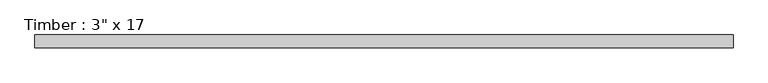
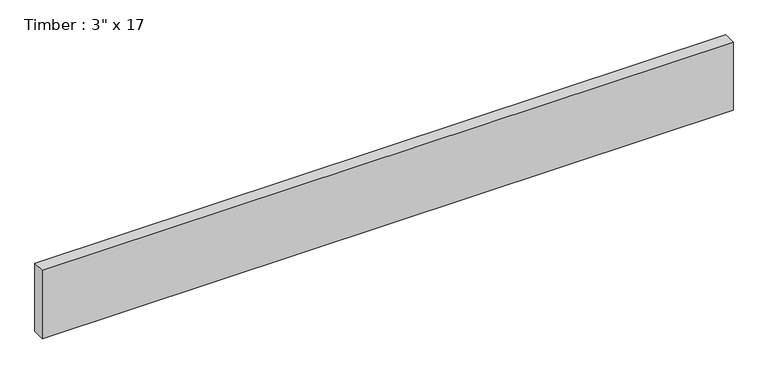
"""IFC4 building model written with IfcOpenShell, lengths in millimetres: beam geometry."""

import ifcopenshell
import ifcopenshell.guid

model = None  # the IFC model being written
_history = None  # IfcOwnerHistory: only IFC2X3 demands one
_inside = {}  # id of a spatial element -> (the spatial element, [elements in it])
_under = {}  # id of a project, library or spatial element -> (it, [spatial elements below it])
_declared = {}  # id of a project -> (the project, [libraries it declares])
_typed = {}  # id of a type object -> (the type object, [elements of that type])
_made_of = {}  # id of a material, layer set ... -> (it, [elements and type objects made of it])


def new_model(schema):
    """Start an empty IFC model of exactly this schema.

    Asked for "IFC4X3", IfcOpenShell would pick the latest addendum, in which some entities
    have other attributes; the version numbers below select the first issue.
    IFC2X3 requires an IfcOwnerHistory on every rooted entity: one is made here for all.
    """
    global model, _history
    if schema == "IFC4X3":
        model = ifcopenshell.file(schema_version=(4, 3, 0, 0))
    else:
        model = ifcopenshell.file(schema=schema)
    _inside.clear()
    _under.clear()
    _declared.clear()
    _typed.clear()
    _made_of.clear()
    _history = None
    if model.schema == "IFC2X3":
        org = make("IfcOrganization", Name="unknown")
        user = make(
            "IfcPersonAndOrganization",
            ThePerson=make("IfcPerson", FamilyName="unknown"),
            TheOrganization=org,
        )
        app = make(
            "IfcApplication",
            ApplicationDeveloper=org,
            Version="unknown",
            ApplicationFullName="unknown",
            ApplicationIdentifier="unknown",
        )
        _history = make(
            "IfcOwnerHistory",
            OwningUser=user,
            OwningApplication=app,
            ChangeAction="ADDED",
            CreationDate=0,
        )
    return model


def make(cls, **values):
    """One entity of the class cls with the attributes given. An attribute that is None is left unset."""
    return model.create_entity(
        cls, **{name: value for name, value in values.items() if value is not None}
    )


def rooted(cls, **values):
    """An entity with a GlobalId (a new one), such as an element, a storey or a relation."""
    return make(cls, GlobalId=ifcopenshell.guid.new(), OwnerHistory=_history, **values)


def si_unit(unit_type, name, prefix=None):
    """IfcSIUnit, for example si_unit("LENGTHUNIT", "METRE", prefix="MILLI")."""
    return make("IfcSIUnit", UnitType=unit_type, Prefix=prefix, Name=name)


def assignment(units):
    """IfcUnitAssignment: the units of a project."""
    return None if units is None else make("IfcUnitAssignment", Units=units)


def point(xyz):
    """IfcCartesianPoint."""
    return None if xyz is None else make("IfcCartesianPoint", Coordinates=xyz)


def direction(xyz):
    """IfcDirection."""
    return None if xyz is None else make("IfcDirection", DirectionRatios=xyz)


def frame(location, z_axis=None, x_axis=None):
    """IfcAxis2Placement3D, a coordinate frame: its origin and axes. An axis left out is left unset."""
    return make(
        "IfcAxis2Placement3D",
        Location=point(location),
        Axis=direction(z_axis),
        RefDirection=direction(x_axis),
    )


def origin():
    """The frame at (0, 0, 0) with its axes left unset."""
    return frame((0.0, 0.0, 0.0))


def place(relative_to, where):
    """IfcLocalPlacement: puts the frame where relative to a parent placement (None: the world)."""
    return make(
        "IfcLocalPlacement", PlacementRelTo=relative_to, RelativePlacement=where
    )


def context(
    kind, dimensions, precision=None, world=None, true_north=None, identifier=None
):
    """IfcGeometricRepresentationContext, for example the 3D "Model" context."""
    return make(
        "IfcGeometricRepresentationContext",
        ContextIdentifier=identifier,
        ContextType=kind,
        CoordinateSpaceDimension=dimensions,
        Precision=precision,
        WorldCoordinateSystem=world,
        TrueNorth=true_north,
    )


def project(units=None, contexts=None):
    """IfcProject with its units and contexts."""
    return rooted(
        "IfcProject",
        Name="project",
        RepresentationContexts=contexts,
        UnitsInContext=assignment(units),
    )


def spatial(cls, under=None, at=None, **own):
    """A site, building, storey or space (cls), placed at a placement, below another one or the project."""
    s = rooted(cls, ObjectPlacement=at, **own)
    if under is not None:
        _under.setdefault(under.id(), (under, []))[1].append(s)
    return s


def polyline(points):
    """IfcPolyline through the points."""
    return make("IfcPolyline", Points=[point(p) for p in points])


def outline(outer, holes=None, kind="AREA"):
    """IfcArbitraryClosedProfileDef: a profile drawn as a closed curve; with holes, ...WithVoids."""
    if holes is None:
        return make("IfcArbitraryClosedProfileDef", ProfileType=kind, OuterCurve=outer)
    return make(
        "IfcArbitraryProfileDefWithVoids",
        ProfileType=kind,
        OuterCurve=outer,
        InnerCurves=holes,
    )


def extrude(swept, where, along, depth):
    """IfcExtrudedAreaSolid: the profile swept, set in the frame where, extruded along a direction by depth."""
    return make(
        "IfcExtrudedAreaSolid",
        SweptArea=swept,
        Position=where,
        ExtrudedDirection=direction(along),
        Depth=depth,
    )


def shape(context_of_items, identifier, shape_type, items):
    """IfcShapeRepresentation: the items that make up one representation, for example the "Body"."""
    return make(
        "IfcShapeRepresentation",
        ContextOfItems=context_of_items,
        RepresentationIdentifier=identifier,
        RepresentationType=shape_type,
        Items=items,
    )


def source(mapping_origin, context_of_items, identifier, shape_type, items):
    """IfcRepresentationMap: a shape defined once, which mapped items show again and again."""
    return make(
        "IfcRepresentationMap",
        MappingOrigin=mapping_origin,
        MappedRepresentation=shape(context_of_items, identifier, shape_type, items),
    )


def transform(
    local_origin,
    x_axis=None,
    y_axis=None,
    z_axis=None,
    scale=None,
    scale2=None,
    scale3=None,
    uniform=True,
):
    """IfcCartesianTransformationOperator3D, or its non-uniform kind. x_axis, y_axis, z_axis: its Axis1, 2, 3."""
    if uniform:
        return make(
            "IfcCartesianTransformationOperator3D",
            Axis1=direction(x_axis),
            Axis2=direction(y_axis),
            LocalOrigin=point(local_origin),
            Scale=scale,
            Axis3=direction(z_axis),
        )
    return make(
        "IfcCartesianTransformationOperator3DnonUniform",
        Axis1=direction(x_axis),
        Axis2=direction(y_axis),
        LocalOrigin=point(local_origin),
        Scale=scale,
        Axis3=direction(z_axis),
        Scale2=scale2,
        Scale3=scale3,
    )


def mapped(mapping_source, mapping_target):
    """IfcMappedItem: shows the shape of a source again, moved by a transform."""
    return make(
        "IfcMappedItem", MappingSource=mapping_source, MappingTarget=mapping_target
    )


def made_of(thing, what):
    """Note that an element or type object is made of a material, layer set ...; save() writes the relation."""
    if what is not None:
        _made_of.setdefault(what.id(), (what, []))[1].append(thing)
    return thing


def element(
    cls,
    number,
    at=None,
    inside=None,
    cuts=None,
    type_object=None,
    material=None,
    context=None,
    identifier="Body",
    shape_type=None,
    held_by="IfcProductDefinitionShape",
    body=None,
    shapes=None,
    **own,
):
    """One element of the class cls, such as IfcWall. Its Tag is "e" and its number.

    at: its placement. inside: the storey or other place that contains it. cuts: it is an
    opening in that element (IfcRelVoidsElement). A single representation is given by context,
    identifier, shape_type and body (its items); several are given by shapes. held_by: the class
    of the entity that holds the representations. save() writes the other relations.
    """
    e = rooted(cls, Tag="e%d" % number, ObjectPlacement=at, **own)
    if body is not None:
        shapes = [shape(context, identifier, shape_type, body)]
    if shapes is not None:
        e.Representation = make(held_by, Representations=shapes)
    if inside is not None:
        _inside.setdefault(inside.id(), (inside, []))[1].append(e)
    if cuts is not None:
        rooted(
            "IfcRelVoidsElement", RelatingBuildingElement=cuts, RelatedOpeningElement=e
        )
    if type_object is not None:
        _typed.setdefault(type_object.id(), (type_object, []))[1].append(e)
    return made_of(e, material)


def aggregate(whole, parts):
    """IfcRelAggregates: a whole, such as a stair, and the parts it consists of."""
    return rooted("IfcRelAggregates", RelatingObject=whole, RelatedObjects=parts)


def save(model, path):
    """Write the relations noted so far, then the file.

    IfcRelAggregates (storeys below a building ...), IfcRelContainedInSpatialStructure (elements
    in a storey), IfcRelDefinesByType, IfcRelAssociatesMaterial and IfcRelDeclares: one each for
    every whole, place, type object, material and project.
    """
    for whole, parts in _under.values():
        aggregate(whole, parts)
    for where, things in _inside.values():
        rooted(
            "IfcRelContainedInSpatialStructure",
            RelatedElements=things,
            RelatingStructure=where,
        )
    for kind, things in _typed.values():
        rooted("IfcRelDefinesByType", RelatedObjects=things, RelatingType=kind)
    for what, things in _made_of.values():
        rooted("IfcRelAssociatesMaterial", RelatedObjects=things, RelatingMaterial=what)
    for by, libraries in _declared.values():
        rooted("IfcRelDeclares", RelatingContext=by, RelatedDefinitions=libraries)
    model.write(path)


def beam_d9e3d701(model_context):
    return source(origin(), model_context, "Body", "SweptSolid", [
        extrude(outline(polyline([(2067.7480049, 38.1), (2067.7480049, -38.1), (-2067.7480049, -38.1), (-2067.7480049, 38.1), (2067.7480049, 38.1)])), frame((0.0, 0.0, -215.9), z_axis=(0.0, 0.0, 1.0), x_axis=(1.0, 0.0, 0.0)), (0.0, 0.0, 1.0), 431.8),
    ])


if __name__ == "__main__":
    model = new_model("IFC4")
    model_context = context("Model", 3, world=origin())
    ifc_project = project(units=[si_unit("LENGTHUNIT", "METRE", prefix="MILLI")], contexts=[model_context])
    site = spatial("IfcSite", under=ifc_project)
    building = spatial("IfcBuilding", under=site)
    placement = place(None, origin())
    beam_shape = beam_d9e3d701(model_context)
    element("IfcBeam", 1, ObjectType="Timber : 3\" x 17", at=placement, inside=building, context=model_context, shape_type="MappedRepresentation", body=[
        mapped(beam_shape, transform((0.0, 0.0, 0.0), x_axis=(1.0, 0.0, 0.0), y_axis=(0.0, 1.0, 0.0), z_axis=(0.0, 0.0, 1.0))),
    ])
    save(model, "model.ifc")
